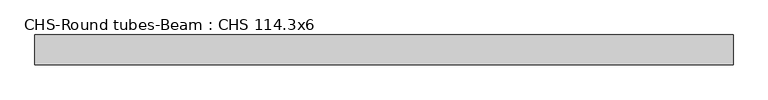
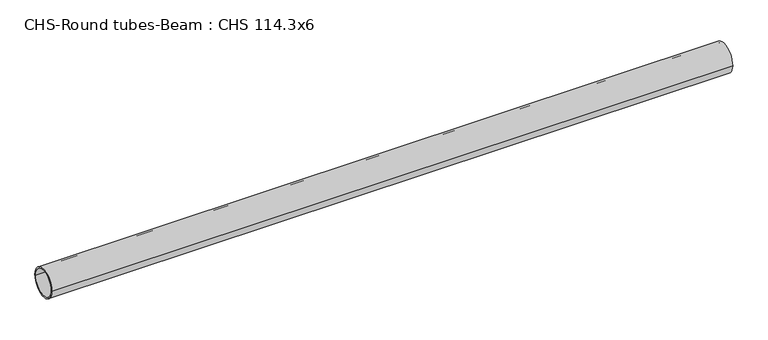
"""IFC4 building model written with IfcOpenShell, lengths in millimetres: beam geometry, CHS-Round tubes-Beam : CHS 114.3x6."""

from ifc_helpers import new_model, si_unit, point, frame, origin, origin_2d, place, context, project, spatial, circle_curve, trimmed, segment, composite_curve, outline, extrude, source, transform, mapped, element, save


def chs_round_tubes_beam_chs_114_3x6_179659cc(model_context):
    return source(origin(), model_context, "Body", "SweptSolid", [
        extrude(outline(composite_curve([segment(trimmed(circle_curve(origin_2d(), 57.15), [point((57.15, 0.0))], [point((-57.15, 0.0))], False, "CARTESIAN"), True, "CONTINUOUS"), segment(trimmed(circle_curve(origin_2d(), 57.15), [point((-57.15, 0.0))], [point((57.15, 0.0))], False, "CARTESIAN"), True, "CONTINUOUS")], self_intersect=False), holes=[composite_curve([segment(trimmed(circle_curve(origin_2d(), 51.15), [point((51.15, 0.0))], [point((-51.15, 0.0))], True, "CARTESIAN"), True, "CONTINUOUS"), segment(trimmed(circle_curve(origin_2d(), 51.15), [point((-51.15, 0.0))], [point((51.15, 0.0))], True, "CARTESIAN"), True, "CONTINUOUS")], self_intersect=False)]), frame((-1291.1751377, 0.0, 0.0), z_axis=(1.0, 0.0, 0.0), x_axis=(0.0, 1.0, 0.0)), (0.0, 0.0, 1.0), 2658.8777139),
    ])


if __name__ == "__main__":
    model = new_model("IFC4")
    model_context = context("Model", 3, world=origin())
    ifc_project = project(units=[si_unit("LENGTHUNIT", "METRE", prefix="MILLI")], contexts=[model_context])
    site = spatial("IfcSite", under=ifc_project)
    building = spatial("IfcBuilding", under=site)
    placement = place(None, origin())
    chs_round_tubes_beam_chs_114_3x6_shape = chs_round_tubes_beam_chs_114_3x6_179659cc(model_context)
    element("IfcBeam", 1, ObjectType="CHS-Round tubes-Beam : CHS 114.3x6", at=placement, inside=building, context=model_context, shape_type="MappedRepresentation", body=[
        mapped(chs_round_tubes_beam_chs_114_3x6_shape, transform((0.0, 0.0, 0.0), x_axis=(1.0, 0.0, 0.0), y_axis=(0.0, 1.0, 0.0), z_axis=(0.0, 0.0, 1.0))),
    ])
    save(model, "model.ifc")
